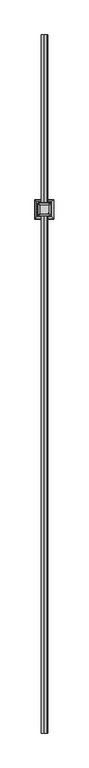
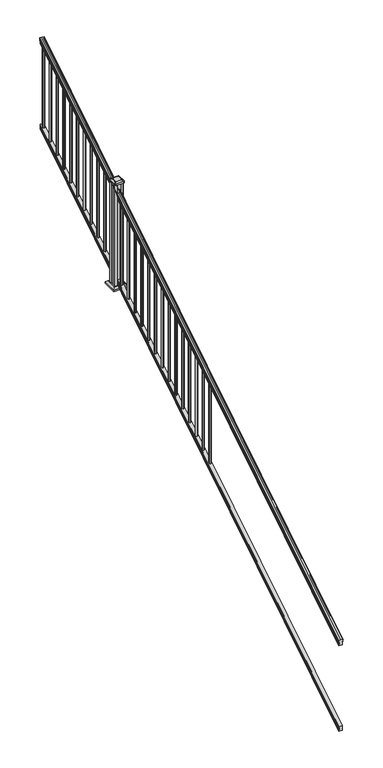
"""IFC4 building model written with IfcOpenShell, lengths in millimetres: railing geometry."""

from ifc_helpers import new_model, si_unit, point, frame, frame_2d, origin, place, context, project, spatial, polyline, circle_curve, ellipse_curve, trimmed, segment, composite_curve, outline, extrude, faceted_brep, source, transform, mapped, element, save
from ifc_brep_helpers import plane_surface, cylinder_surface, revolved_surface, extruded_surface, advanced_brep


def railing_ad582928(model_context):
    return source(origin(), model_context, "Body", "SolidModel", [
        advanced_brep(
        [(6995.9614371, -16813.8194681, 1133.2070492), (6998.5352659, -16813.8194681, 1133.2070492), (6998.5352659, -16813.8194681, 1120.6394336), (6997.5192659, -16813.8194681, 1119.441318), (6997.5192659, -16813.8194681, 1104.9), (7029.2692659, -16813.8194681, 1104.9), (7029.2692659, -16813.8194681, 1119.6274214), (7028.2532659, -16813.8194681, 1120.825537), (7028.2532659, -16813.8194681, 1133.2070492), (7030.8270946, -16813.8194681, 1133.2070492), (7030.8270946, -16813.8194681, 1135.4335658), (7031.9572809, -16813.8194681, 1137.2758543), (7031.9572809, -16813.8194681, 1145.7876358), (7031.3080245, -16813.8194681, 1148.6572588), (7033.8080245, -16813.8194681, 1153.7635509), (7035.217367, -16813.8194681, 1155.7442021), (7035.619266, -16813.8194681, 1157.0469579), (7035.6192659, -16813.8194681, 1158.6274846), (7034.0658186, -16813.8194681, 1160.4593836), (7013.3942659, -16813.8194681, 1160.4593836), (6992.7227131, -16813.8194681, 1160.4593836), (6991.1692659, -16813.8194681, 1158.6274846), (6991.1692659, -16813.8194681, 1157.0469579), (6991.5711648, -16813.8194681, 1155.7442021), (6992.9805072, -16813.8194681, 1153.7635509), (6995.4805072, -16813.8194681, 1148.6572588), (6994.8312508, -16813.8194681, 1145.7876358), (6994.8312508, -16813.8194681, 1137.2758543), (6995.9614371, -16813.8194681, 1135.4335658), (6995.9614371, -11937.0194681, 4181.2070492), (6995.9614371, -11937.0194681, 4183.4335658), (6994.8312508, -11937.0194681, 4185.2758543), (6994.8312508, -11937.0194681, 4193.7876358), (6995.4805072, -11937.0194681, 4196.6572588), (6992.9805072, -11937.0194681, 4201.7635509), (6991.5711648, -11937.0194681, 4203.7442021), (6991.1692658, -11937.0194681, 4205.0469579), (6991.1692659, -11937.0194681, 4206.6274846), (6992.7227131, -11937.0194681, 4208.4593836), (7013.3942659, -11937.0194681, 4208.4593836), (7034.0658186, -11937.0194681, 4208.4593836), (7035.6192659, -11937.0194681, 4206.6274846), (7035.6192659, -11937.0194681, 4205.0469579), (7035.217367, -11937.0194681, 4203.7442021), (7033.8080245, -11937.0194681, 4201.7635509), (7031.3080245, -11937.0194681, 4196.6572588), (7031.9572809, -11937.0194681, 4193.7876358), (7031.9572809, -11937.0194681, 4185.2758543), (7030.8270946, -11937.0194681, 4183.4335658), (7030.8270946, -11937.0194681, 4181.2070492), (7028.2532659, -11937.0194681, 4181.2070492), (7028.2532659, -11937.0194681, 4168.825537), (7029.2692659, -11937.0194681, 4167.6274214), (7029.2692659, -11937.0194681, 4152.9), (6997.5192659, -11937.0194681, 4152.9), (6997.5192659, -11937.0194681, 4167.441318), (6998.5352659, -11937.0194681, 4168.6394336), (6998.5352659, -11937.0194681, 4181.2070492)],
        [
            (0, 1, ellipse_curve(frame((6997.2483515, -16813.8194681, 1133.2070492), z_axis=(0.0, -1.0, 0.0), x_axis=(0.0, 0.0, -1.0)), 1.5175907, 1.2869144)),
            (1, 2),
            (2, 3),
            (3, 4),
            (4, 5),
            (5, 6),
            (6, 7),
            (7, 8),
            (8, 9, ellipse_curve(frame((7029.5401802, -16813.8194681, 1133.2070492), z_axis=(0.0, -1.0, 0.0), x_axis=(0.0, 0.0, -1.0)), 1.5175907, 1.2869144)),
            (9, 10),
            (10, 11, ellipse_curve(frame((7024.5123413, -16813.8194681, 1142.2239405), z_axis=(0.0, -1.0, 0.0), x_axis=(0.0, 0.0, -1.0)), 10.0777926, 8.545951)),
            (11, 12, ellipse_curve(frame((7024.9494043, -16813.8194681, 1141.5317451), z_axis=(0.0, -1.0, 0.0), x_axis=(0.0, 0.0, -1.0)), 9.2955186, 7.882584)),
            (12, 13, ellipse_curve(frame((7035.4627284, -16813.8194681, 1148.4275077), z_axis=(0.0, 1.0, 0.0), x_axis=(0.0, 0.0, 1.0)), 4.9048088, 4.1592695)),
            (13, 14, ellipse_curve(frame((7036.750035, -16813.8194681, 1148.3563208), z_axis=(0.0, 1.0, 0.0), x_axis=(0.0, 0.0, 1.0)), 6.4245301, 5.4479907)),
            (14, 15, ellipse_curve(frame((7035.5168765, -16813.8194681, 1153.7602333), z_axis=(0.0, 1.0, 0.0), x_axis=(0.0, 0.0, 1.0)), 2.0151625, 1.7088543)),
            (15, 16, ellipse_curve(frame((7033.8999764, -16813.8194681, 1157.0469579), z_axis=(0.0, -1.0, 0.0), x_axis=(0.0, 0.0, -1.0)), 2.0274681, 1.7192895)),
            (16, 17),
            (17, 18, ellipse_curve(frame((7034.0658186, -16813.8194681, 1158.6274846), z_axis=(0.0, -1.0, 0.0), x_axis=(0.0, 0.0, -1.0)), 1.831899, 1.5534472)),
            (18, 19),
            (19, 20),
            (20, 21, ellipse_curve(frame((6992.7227131, -16813.8194681, 1158.6274846), z_axis=(0.0, -1.0, 0.0), x_axis=(0.0, 0.0, -1.0)), 1.831899, 1.5534472)),
            (21, 22),
            (22, 23, ellipse_curve(frame((6992.8885553, -16813.8194681, 1157.0469579), z_axis=(0.0, -1.0, 0.0), x_axis=(0.0, 0.0, -1.0)), 2.0274681, 1.7192895)),
            (23, 24, ellipse_curve(frame((6991.2716552, -16813.8194681, 1153.7602333), z_axis=(0.0, 1.0, 0.0), x_axis=(0.0, 0.0, 1.0)), 2.0151625, 1.7088543)),
            (24, 25, ellipse_curve(frame((6990.0384968, -16813.8194681, 1148.3563208), z_axis=(0.0, 1.0, 0.0), x_axis=(0.0, 0.0, 1.0)), 6.4245301, 5.4479907)),
            (25, 26, ellipse_curve(frame((6991.3258033, -16813.8194681, 1148.4275077), z_axis=(0.0, 1.0, 0.0), x_axis=(0.0, 0.0, 1.0)), 4.9048088, 4.1592695)),
            (26, 27, ellipse_curve(frame((7001.8391275, -16813.8194681, 1141.5317451), z_axis=(0.0, -1.0, 0.0), x_axis=(0.0, 0.0, -1.0)), 9.2955186, 7.882584)),
            (27, 28, ellipse_curve(frame((7002.2761904, -16813.8194681, 1142.2239405), z_axis=(0.0, -1.0, 0.0), x_axis=(0.0, 0.0, -1.0)), 10.0777926, 8.545951)),
            (28, 0),
            (29, 30),
            (30, 31, ellipse_curve(frame((7002.2761904, -11937.0194681, 4190.2239405), z_axis=(0.0, 1.0, 0.0), x_axis=(0.0, 0.0, -1.0)), 10.0777926, 8.545951)),
            (31, 32, ellipse_curve(frame((7001.8391275, -11937.0194681, 4189.5317451), z_axis=(0.0, 1.0, 0.0), x_axis=(0.0, 0.0, -1.0)), 9.2955186, 7.882584)),
            (32, 33, ellipse_curve(frame((6991.3258033, -11937.0194681, 4196.4275077), z_axis=(0.0, -1.0, 0.0), x_axis=(0.0, 0.0, 1.0)), 4.9048088, 4.1592695)),
            (33, 34, ellipse_curve(frame((6990.0384968, -11937.0194681, 4196.3563208), z_axis=(0.0, -1.0, 0.0), x_axis=(0.0, 0.0, 1.0)), 6.4245301, 5.4479907)),
            (34, 35, ellipse_curve(frame((6991.2716552, -11937.0194681, 4201.7602333), z_axis=(0.0, -1.0, 0.0), x_axis=(0.0, 0.0, 1.0)), 2.0151625, 1.7088543)),
            (35, 36, ellipse_curve(frame((6992.8885553, -11937.0194681, 4205.0469579), z_axis=(0.0, 1.0, 0.0), x_axis=(0.0, 0.0, -1.0)), 2.0274681, 1.7192895)),
            (36, 37),
            (37, 38, ellipse_curve(frame((6992.7227131, -11937.0194681, 4206.6274846), z_axis=(0.0, 1.0, 0.0), x_axis=(0.0, 0.0, -1.0)), 1.831899, 1.5534472)),
            (38, 39),
            (39, 40),
            (40, 41, ellipse_curve(frame((7034.0658186, -11937.0194681, 4206.6274846), z_axis=(0.0, 1.0, 0.0), x_axis=(0.0, 0.0, -1.0)), 1.831899, 1.5534472)),
            (41, 42),
            (42, 43, ellipse_curve(frame((7033.8999764, -11937.0194681, 4205.0469579), z_axis=(0.0, 1.0, 0.0), x_axis=(0.0, 0.0, -1.0)), 2.0274681, 1.7192895)),
            (43, 44, ellipse_curve(frame((7035.5168765, -11937.0194681, 4201.7602333), z_axis=(0.0, -1.0, 0.0), x_axis=(0.0, 0.0, 1.0)), 2.0151625, 1.7088543)),
            (44, 45, ellipse_curve(frame((7036.750035, -11937.0194681, 4196.3563208), z_axis=(0.0, -1.0, 0.0), x_axis=(0.0, 0.0, 1.0)), 6.4245301, 5.4479907)),
            (45, 46, ellipse_curve(frame((7035.4627284, -11937.0194681, 4196.4275077), z_axis=(0.0, -1.0, 0.0), x_axis=(0.0, 0.0, 1.0)), 4.9048088, 4.1592695)),
            (46, 47, ellipse_curve(frame((7024.9494043, -11937.0194681, 4189.5317451), z_axis=(0.0, 1.0, 0.0), x_axis=(0.0, 0.0, -1.0)), 9.2955186, 7.882584)),
            (47, 48, ellipse_curve(frame((7024.5123413, -11937.0194681, 4190.2239405), z_axis=(0.0, 1.0, 0.0), x_axis=(0.0, 0.0, -1.0)), 10.0777926, 8.545951)),
            (48, 49),
            (49, 50, ellipse_curve(frame((7029.5401802, -11937.0194681, 4181.2070492), z_axis=(0.0, 1.0, 0.0), x_axis=(0.0, 0.0, -1.0)), 1.5175907, 1.2869144)),
            (50, 51),
            (51, 52),
            (52, 53),
            (53, 54),
            (54, 55),
            (55, 56),
            (56, 57),
            (57, 29, ellipse_curve(frame((6997.2483515, -11937.0194681, 4181.2070492), z_axis=(0.0, 1.0, 0.0), x_axis=(0.0, 0.0, -1.0)), 1.5175907, 1.2869144)),
            (0, 29),
            (57, 1),
            (56, 2),
            (55, 3),
            (54, 4),
            (53, 5),
            (52, 6),
            (51, 7),
            (50, 8),
            (49, 9),
            (48, 10),
            (47, 11),
            (46, 12),
            (45, 13),
            (44, 14),
            (43, 15),
            (42, 16),
            (41, 17),
            (40, 18),
            (39, 19),
            (38, 20),
            (37, 21),
            (36, 22),
            (35, 23),
            (34, 24),
            (33, 25),
            (32, 26),
            (31, 27),
            (30, 28),
        ],
        [
            plane_surface(frame((7013.3942659, -16813.8194681, 1104.9), z_axis=(0.0, -1.0, 0.0), x_axis=(0.0, 0.0, 1.0))),
            plane_surface(frame((7013.3942659, -11937.0194681, 4152.9), z_axis=(0.0, 1.0, 0.0), x_axis=(0.0, 0.0, 1.0))),
            cylinder_surface(frame((6997.2483515, -16826.5417374, 1125.2556309), z_axis=(0.0, -0.8479983040051251, -0.5299989400031206), x_axis=(1.0, 0.0, 0.0)), 1.2869144),
            plane_surface(frame((6998.5352659, -16813.8194681, 1133.2070492), z_axis=(-1.0000000000000002, 0.0, 0.0), x_axis=(0.0, 0.8479983040051251, 0.5299989400031208))),
            plane_surface(frame((6998.5352659, -16813.8194681, 1120.6394336), z_axis=(-0.7071067811865402, -0.37476584449789196, 0.5996253511967222), x_axis=(0.0, 0.8479983040051251, 0.5299989400031206))),
            plane_surface(frame((6997.5192659, -16813.8194681, 1119.441318), z_axis=(-1.0000000000000002, 0.0, 0.0), x_axis=(0.0, 0.8479983040051251, 0.5299989400031208))),
            plane_surface(frame((6997.5192659, -16813.8194681, 1104.9), z_axis=(0.0, 0.5299989400031208, -0.8479983040051251), x_axis=(0.0, 0.8479983040051251, 0.5299989400031208))),
            plane_surface(frame((7029.2692659, -16813.8194681, 1104.9), z_axis=(1.0000000000000002, 0.0, 0.0), x_axis=(0.0, 0.8479983040051251, 0.5299989400031208))),
            plane_surface(frame((7029.2692659, -16813.8194681, 1119.6274214), z_axis=(0.7071067811865426, -0.3747658444978923, 0.5996253511967192), x_axis=(0.0, 0.8479983040051251, 0.5299989400031208))),
            plane_surface(frame((7028.2532659, -16813.8194681, 1120.825537), z_axis=(1.0, 0.0, 0.0), x_axis=(0.0, 0.8479983040051251, 0.5299989400031206))),
            cylinder_surface(frame((7029.5401802, -16826.5417374, 1125.2556309), z_axis=(0.0, -0.8479983040051251, -0.5299989400031206), x_axis=(-1.0, 0.0, 0.0)), 1.2869144),
            plane_surface(frame((7030.8270946, -16813.8194681, 1133.2070492), z_axis=(1.0000000000000002, 0.0, 0.0), x_axis=(0.0, 0.8479983040051251, 0.5299989400031208))),
            cylinder_surface(frame((7024.5123413, -16830.5942728, 1131.7396876), z_axis=(0.0, -0.8479983040051251, -0.5299989400031206), x_axis=(-1.0, 0.0, 0.0)), 8.545951),
            cylinder_surface(frame((7024.9494043, -16830.2831737, 1131.241929), z_axis=(0.0, -0.8479983040051251, -0.5299989400031206), x_axis=(-1.0, 0.0, 0.0)), 7.882584),
            revolved_surface(polyline([(7031.3034589, -11934.815059650347, 4197.805262980555), (7031.3034589, -16816.023876549436, 1147.0497524191003)]), (7035.4627284, -16833.3823929, 1136.2006797), (0.0, 0.8479983040051251, 0.5299989400031206)),
            revolved_surface(polyline([(7031.3020443, -11934.132038835742, 4198.160964077186), (7031.3020443, -16816.706897352808, 1146.5516775044946)]), (7036.750035, -16833.3503988, 1136.1494891), (0.0, 0.8479983040051251, 0.5299989400031206)),
            revolved_surface(polyline([(7033.8080222, -11936.113777099785, 4202.326290199658), (7033.8080222, -16814.72515912247, 1153.1941764359544)]), (7035.5168765, -16835.7791235, 1140.0354487), (0.0, 0.8479983040051251, 0.5299989400031206)),
            cylinder_surface(frame((7033.8999764, -16837.2563031, 1142.398936), z_axis=(0.0, -0.8479983040051251, -0.5299989400031206), x_axis=(-1.0, 0.0, 0.0)), 1.7192895),
            plane_surface(frame((7035.6192659, -16813.8194681, 1157.0469579), z_axis=(1.0, 0.0, 0.0), x_axis=(0.0, 0.8479983040051251, 0.5299989400031206))),
            cylinder_surface(frame((7034.0658186, -16837.9666522, 1143.5354945), z_axis=(0.0, -0.8479983040051251, -0.5299989400031206), x_axis=(-1.0, 0.0, 0.0)), 1.5534472),
            plane_surface(frame((7034.0658186, -16813.8194681, 1160.4593836), z_axis=(0.0, -0.5299989400031208, 0.8479983040051251), x_axis=(0.0, 0.8479983040051251, 0.5299989400031208))),
            plane_surface(frame((7013.3942659, -16813.8194681, 1160.4593836), z_axis=(0.0, -0.5299989400031208, 0.8479983040051251), x_axis=(0.0, 0.8479983040051251, 0.5299989400031208))),
            cylinder_surface(frame((6992.7227131, -16837.9666522, 1143.5354945), z_axis=(0.0, -0.8479983040051251, -0.5299989400031206), x_axis=(1.0, 0.0, 0.0)), 1.5534472),
            plane_surface(frame((6991.1692659, -16813.8194681, 1158.6274846), z_axis=(-1.0000000000000002, 0.0, 0.0), x_axis=(0.0, 0.8479983040051251, 0.5299989400031208))),
            cylinder_surface(frame((6992.8885553, -16837.2563031, 1142.398936), z_axis=(0.0, -0.8479983040051251, -0.5299989400031206), x_axis=(1.0, 0.0, 0.0)), 1.7192895),
            revolved_surface(polyline([(6992.9805095, -11936.113777099785, 4202.326290199658), (6992.9805095, -16814.72515912247, 1153.1941764359544)]), (6991.2716552, -16835.7791235, 1140.0354487), (0.0, 0.8479983040051251, 0.5299989400031206)),
            revolved_surface(polyline([(6995.4864875, -11934.132038835742, 4198.160964077186), (6995.4864875, -16816.706897352808, 1146.5516775044946)]), (6990.0384968, -16833.3503988, 1136.1494891), (0.0, 0.8479983040051251, 0.5299989400031206)),
            revolved_surface(polyline([(6995.4850728, -11934.815059650347, 4197.805262980555), (6995.4850728, -16816.023876549436, 1147.0497524191003)]), (6991.3258033, -16833.3823929, 1136.2006797), (0.0, 0.8479983040051251, 0.5299989400031206)),
            cylinder_surface(frame((7001.8391275, -16830.2831737, 1131.241929), z_axis=(0.0, -0.8479983040051251, -0.5299989400031206), x_axis=(1.0, 0.0, 0.0)), 7.882584),
            cylinder_surface(frame((7002.2761904, -16830.5942728, 1131.7396876), z_axis=(0.0, -0.8479983040051251, -0.5299989400031206), x_axis=(1.0, 0.0, 0.0)), 8.545951),
            plane_surface(frame((6995.9614371, -16813.8194681, 1135.4335658), z_axis=(-1.0, 0.0, 0.0), x_axis=(0.0, 0.8479983040051251, 0.5299989400031206))),
        ],
        [
            (0, [[1, 2, 3, 4, 5, 6, 7, 8, 9, 10, 11, 12, 13, 14, 15, 16, 17, 18, 19, 20, 21, 22, 23, 24, 25, 26, 27, 28, 29]]),
            (1, [[30, 31, 32, 33, 34, 35, 36, 37, 38, 39, 40, 41, 42, 43, 44, 45, 46, 47, 48, 49, 50, 51, 52, 53, 54, 55, 56, 57, 58]]),
            (2, [[-1, 59, -58, 60]]),
            (3, [[-2, -60, -57, 61]]),
            (4, [[-3, -61, -56, 62]]),
            (5, [[-4, -62, -55, 63]]),
            (6, [[-5, -63, -54, 64]]),
            (7, [[-6, -64, -53, 65]]),
            (8, [[-7, -65, -52, 66]]),
            (9, [[-8, -66, -51, 67]]),
            (10, [[-9, -67, -50, 68]]),
            (11, [[-10, -68, -49, 69]]),
            (12, [[-11, -69, -48, 70]]),
            (13, [[-12, -70, -47, 71]]),
            (14, [[-13, -71, -46, 72]]),
            (15, [[-14, -72, -45, 73]]),
            (16, [[-15, -73, -44, 74]]),
            (17, [[-16, -74, -43, 75]]),
            (18, [[-17, -75, -42, 76]]),
            (19, [[-18, -76, -41, 77]]),
            (20, [[-19, -77, -40, 78]]),
            (21, [[-20, -78, -39, 79]]),
            (22, [[-21, -79, -38, 80]]),
            (23, [[-22, -80, -37, 81]]),
            (24, [[-23, -81, -36, 82]]),
            (25, [[-24, -82, -35, 83]]),
            (26, [[-25, -83, -34, 84]]),
            (27, [[-26, -84, -33, 85]]),
            (28, [[-27, -85, -32, 86]]),
            (29, [[-28, -86, -31, 87]]),
            (30, [[-29, -87, -30, -59]]),
        ],
    ),
        faceted_brep([(6997.481779, -16813.8194681, 268.8045079), (6997.481779, -16813.8194681, 254.0), (7029.231779, -16813.8194681, 254.0), (7029.231779, -16813.8194681, 268.7848772), (7028.215779, -16813.8194681, 270.3748303), (7028.215779, -16813.8194681, 282.5348741), (7029.231779, -16813.8194681, 284.1248272), (7029.231779, -16813.8194681, 298.9244744), (6997.481779, -16813.8194681, 298.9244744), (6997.481779, -16813.8194681, 284.1444579), (6998.497779, -16813.8194681, 282.5545048), (6998.497779, -16813.8194681, 270.338026), (6997.481779, -11937.0194681, 3316.8045079), (6998.497779, -11937.0194681, 3318.338026), (6998.497779, -11937.0194681, 3330.5545048), (6997.481779, -11937.0194681, 3332.1444579), (6997.481779, -11937.0194681, 3346.9244744), (7029.231779, -11937.0194681, 3346.9244744), (7029.231779, -11937.0194681, 3332.1248272), (7028.215779, -11937.0194681, 3330.5348741), (7028.215779, -11937.0194681, 3318.3748303), (7029.231779, -11937.0194681, 3316.7848772), (7029.231779, -11937.0194681, 3302.0), (6997.481779, -11937.0194681, 3302.0)], [[[0, 1, 2, 3, 4, 5, 6, 7, 8, 9, 10, 11]], [[12, 13, 14, 15, 16, 17, 18, 19, 20, 21, 22, 23]], [[1, 0, 12, 23]], [[2, 1, 23, 22]], [[3, 2, 22, 21]], [[4, 3, 21, 20]], [[5, 4, 20, 19]], [[6, 5, 19, 18]], [[7, 6, 18, 17]], [[8, 7, 17, 16]], [[9, 8, 16, 15]], [[10, 9, 15, 14]], [[11, 10, 14, 13]], [[0, 11, 13, 12]]]),
        extrude(outline(composite_curve([segment(trimmed(circle_curve(frame_2d((7013.3942659, -11964.0069681)), 9.525), [point((7003.8692659, -11964.0069681))], [point((7013.3942659, -11954.4819681))], False, "CARTESIAN"), True, "CONTINUOUS"), segment(trimmed(circle_curve(frame_2d((7013.3942659, -11964.0069681)), 9.525), [point((7013.3942659, -11954.4819681))], [point((7022.9192659, -11964.0069681))], False, "CARTESIAN"), True, "CONTINUOUS"), segment(trimmed(circle_curve(frame_2d((7013.3942659, -11964.0069681)), 9.525), [point((7022.9192659, -11964.0069681))], [point((7013.3942659, -11973.5319681))], False, "CARTESIAN"), True, "CONTINUOUS"), segment(trimmed(circle_curve(frame_2d((7013.3942659, -11964.0069681)), 9.525), [point((7013.3942659, -11973.5319681))], [point((7003.8692659, -11964.0069681))], False, "CARTESIAN"), True, "CONTINUOUS")], self_intersect=False)), frame((0.0, 0.0, 3323.2286906), z_axis=(0.0, 0.0, 1.0), x_axis=(1.0, 0.0, 0.0)), (0.0, 0.0, 1.0), 812.8041219),
        extrude(outline(composite_curve([segment(trimmed(circle_curve(frame_2d((7013.3942659, -12075.1319681)), 9.525), [point((7003.8692659, -12075.1319681))], [point((7013.3942659, -12065.6069681))], False, "CARTESIAN"), True, "CONTINUOUS"), segment(trimmed(circle_curve(frame_2d((7013.3942659, -12075.1319681)), 9.525), [point((7013.3942659, -12065.6069681))], [point((7022.9192659, -12075.1319681))], False, "CARTESIAN"), True, "CONTINUOUS"), segment(trimmed(circle_curve(frame_2d((7013.3942659, -12075.1319681)), 9.525), [point((7022.9192659, -12075.1319681))], [point((7013.3942659, -12084.6569681))], False, "CARTESIAN"), True, "CONTINUOUS"), segment(trimmed(circle_curve(frame_2d((7013.3942659, -12075.1319681)), 9.525), [point((7013.3942659, -12084.6569681))], [point((7003.8692659, -12075.1319681))], False, "CARTESIAN"), True, "CONTINUOUS")], self_intersect=False)), frame((0.0, 0.0, 3253.7755656), z_axis=(0.0, 0.0, 1.0), x_axis=(1.0, 0.0, 0.0)), (0.0, 0.0, 1.0), 812.8041219),
        extrude(outline(composite_curve([segment(trimmed(circle_curve(frame_2d((7013.3942659, -12186.2569681)), 9.525), [point((7003.8692659, -12186.2569681))], [point((7013.3942659, -12176.7319681))], False, "CARTESIAN"), True, "CONTINUOUS"), segment(trimmed(circle_curve(frame_2d((7013.3942659, -12186.2569681)), 9.525), [point((7013.3942659, -12176.7319681))], [point((7022.9192659, -12186.2569681))], False, "CARTESIAN"), True, "CONTINUOUS"), segment(trimmed(circle_curve(frame_2d((7013.3942659, -12186.2569681)), 9.525), [point((7022.9192659, -12186.2569681))], [point((7013.3942659, -12195.7819681))], False, "CARTESIAN"), True, "CONTINUOUS"), segment(trimmed(circle_curve(frame_2d((7013.3942659, -12186.2569681)), 9.525), [point((7013.3942659, -12195.7819681))], [point((7003.8692659, -12186.2569681))], False, "CARTESIAN"), True, "CONTINUOUS")], self_intersect=False)), frame((0.0, 0.0, 3184.3224406), z_axis=(0.0, 0.0, 1.0), x_axis=(1.0, 0.0, 0.0)), (0.0, 0.0, 1.0), 812.8041219),
        extrude(outline(composite_curve([segment(trimmed(circle_curve(frame_2d((7013.3942659, -12297.3819681)), 9.525), [point((7003.8692659, -12297.3819681))], [point((7013.3942659, -12287.8569681))], False, "CARTESIAN"), True, "CONTINUOUS"), segment(trimmed(circle_curve(frame_2d((7013.3942659, -12297.3819681)), 9.525), [point((7013.3942659, -12287.8569681))], [point((7022.9192659, -12297.3819681))], False, "CARTESIAN"), True, "CONTINUOUS"), segment(trimmed(circle_curve(frame_2d((7013.3942659, -12297.3819681)), 9.525), [point((7022.9192659, -12297.3819681))], [point((7013.3942659, -12306.9069681))], False, "CARTESIAN"), True, "CONTINUOUS"), segment(trimmed(circle_curve(frame_2d((7013.3942659, -12297.3819681)), 9.525), [point((7013.3942659, -12306.9069681))], [point((7003.8692659, -12297.3819681))], False, "CARTESIAN"), True, "CONTINUOUS")], self_intersect=False)), frame((0.0, 0.0, 3114.8693156), z_axis=(0.0, 0.0, 1.0), x_axis=(1.0, 0.0, 0.0)), (0.0, 0.0, 1.0), 812.8041219),
        extrude(outline(composite_curve([segment(trimmed(circle_curve(frame_2d((7013.3942659, -12408.5069681)), 9.525), [point((7003.8692659, -12408.5069681))], [point((7013.3942659, -12398.9819681))], False, "CARTESIAN"), True, "CONTINUOUS"), segment(trimmed(circle_curve(frame_2d((7013.3942659, -12408.5069681)), 9.525), [point((7013.3942659, -12398.9819681))], [point((7022.9192659, -12408.5069681))], False, "CARTESIAN"), True, "CONTINUOUS"), segment(trimmed(circle_curve(frame_2d((7013.3942659, -12408.5069681)), 9.525), [point((7022.9192659, -12408.5069681))], [point((7013.3942659, -12418.0319681))], False, "CARTESIAN"), True, "CONTINUOUS"), segment(trimmed(circle_curve(frame_2d((7013.3942659, -12408.5069681)), 9.525), [point((7013.3942659, -12418.0319681))], [point((7003.8692659, -12408.5069681))], False, "CARTESIAN"), True, "CONTINUOUS")], self_intersect=False)), frame((0.0, 0.0, 3045.4161906), z_axis=(0.0, 0.0, 1.0), x_axis=(1.0, 0.0, 0.0)), (0.0, 0.0, 1.0), 812.8041219),
        extrude(outline(composite_curve([segment(trimmed(circle_curve(frame_2d((7013.3942659, -12519.6319681)), 9.525), [point((7003.8692659, -12519.6319681))], [point((7013.3942659, -12510.1069681))], False, "CARTESIAN"), True, "CONTINUOUS"), segment(trimmed(circle_curve(frame_2d((7013.3942659, -12519.6319681)), 9.525), [point((7013.3942659, -12510.1069681))], [point((7022.9192659, -12519.6319681))], False, "CARTESIAN"), True, "CONTINUOUS"), segment(trimmed(circle_curve(frame_2d((7013.3942659, -12519.6319681)), 9.525), [point((7022.9192659, -12519.6319681))], [point((7013.3942659, -12529.1569681))], False, "CARTESIAN"), True, "CONTINUOUS"), segment(trimmed(circle_curve(frame_2d((7013.3942659, -12519.6319681)), 9.525), [point((7013.3942659, -12529.1569681))], [point((7003.8692659, -12519.6319681))], False, "CARTESIAN"), True, "CONTINUOUS")], self_intersect=False)), frame((0.0, 0.0, 2975.9630656), z_axis=(0.0, 0.0, 1.0), x_axis=(1.0, 0.0, 0.0)), (0.0, 0.0, 1.0), 812.8041219),
        extrude(outline(composite_curve([segment(trimmed(circle_curve(frame_2d((7013.3942659, -12630.7569681)), 9.525), [point((7003.8692659, -12630.7569681))], [point((7013.3942659, -12621.2319681))], False, "CARTESIAN"), True, "CONTINUOUS"), segment(trimmed(circle_curve(frame_2d((7013.3942659, -12630.7569681)), 9.525), [point((7013.3942659, -12621.2319681))], [point((7022.9192659, -12630.7569681))], False, "CARTESIAN"), True, "CONTINUOUS"), segment(trimmed(circle_curve(frame_2d((7013.3942659, -12630.7569681)), 9.525), [point((7022.9192659, -12630.7569681))], [point((7013.3942659, -12640.2819681))], False, "CARTESIAN"), True, "CONTINUOUS"), segment(trimmed(circle_curve(frame_2d((7013.3942659, -12630.7569681)), 9.525), [point((7013.3942659, -12640.2819681))], [point((7003.8692659, -12630.7569681))], False, "CARTESIAN"), True, "CONTINUOUS")], self_intersect=False)), frame((0.0, 0.0, 2906.5099406), z_axis=(0.0, 0.0, 1.0), x_axis=(1.0, 0.0, 0.0)), (0.0, 0.0, 1.0), 812.8041219),
        extrude(outline(composite_curve([segment(trimmed(circle_curve(frame_2d((7013.3942659, -12741.8819681)), 9.525), [point((7003.8692659, -12741.8819681))], [point((7013.3942659, -12732.3569681))], False, "CARTESIAN"), True, "CONTINUOUS"), segment(trimmed(circle_curve(frame_2d((7013.3942659, -12741.8819681)), 9.525), [point((7013.3942659, -12732.3569681))], [point((7022.9192659, -12741.8819681))], False, "CARTESIAN"), True, "CONTINUOUS"), segment(trimmed(circle_curve(frame_2d((7013.3942659, -12741.8819681)), 9.525), [point((7022.9192659, -12741.8819681))], [point((7013.3942659, -12751.4069681))], False, "CARTESIAN"), True, "CONTINUOUS"), segment(trimmed(circle_curve(frame_2d((7013.3942659, -12741.8819681)), 9.525), [point((7013.3942659, -12751.4069681))], [point((7003.8692659, -12741.8819681))], False, "CARTESIAN"), True, "CONTINUOUS")], self_intersect=False)), frame((0.0, 0.0, 2837.0568156), z_axis=(0.0, 0.0, 1.0), x_axis=(1.0, 0.0, 0.0)), (0.0, 0.0, 1.0), 812.8041219),
        extrude(outline(composite_curve([segment(trimmed(circle_curve(frame_2d((7013.3942659, -12853.0069681)), 9.525), [point((7003.8692659, -12853.0069681))], [point((7013.3942659, -12843.4819681))], False, "CARTESIAN"), True, "CONTINUOUS"), segment(trimmed(circle_curve(frame_2d((7013.3942659, -12853.0069681)), 9.525), [point((7013.3942659, -12843.4819681))], [point((7022.9192659, -12853.0069681))], False, "CARTESIAN"), True, "CONTINUOUS"), segment(trimmed(circle_curve(frame_2d((7013.3942659, -12853.0069681)), 9.525), [point((7022.9192659, -12853.0069681))], [point((7013.3942659, -12862.5319681))], False, "CARTESIAN"), True, "CONTINUOUS"), segment(trimmed(circle_curve(frame_2d((7013.3942659, -12853.0069681)), 9.525), [point((7013.3942659, -12862.5319681))], [point((7003.8692659, -12853.0069681))], False, "CARTESIAN"), True, "CONTINUOUS")], self_intersect=False)), frame((0.0, 0.0, 2767.6036906), z_axis=(0.0, 0.0, 1.0), x_axis=(1.0, 0.0, 0.0)), (0.0, 0.0, 1.0), 812.8041219),
        extrude(outline(composite_curve([segment(trimmed(circle_curve(frame_2d((7013.3942659, -12964.1319681)), 9.525), [point((7003.8692659, -12964.1319681))], [point((7013.3942659, -12954.6069681))], False, "CARTESIAN"), True, "CONTINUOUS"), segment(trimmed(circle_curve(frame_2d((7013.3942659, -12964.1319681)), 9.525), [point((7013.3942659, -12954.6069681))], [point((7022.9192659, -12964.1319681))], False, "CARTESIAN"), True, "CONTINUOUS"), segment(trimmed(circle_curve(frame_2d((7013.3942659, -12964.1319681)), 9.525), [point((7022.9192659, -12964.1319681))], [point((7013.3942659, -12973.6569681))], False, "CARTESIAN"), True, "CONTINUOUS"), segment(trimmed(circle_curve(frame_2d((7013.3942659, -12964.1319681)), 9.525), [point((7013.3942659, -12973.6569681))], [point((7003.8692659, -12964.1319681))], False, "CARTESIAN"), True, "CONTINUOUS")], self_intersect=False)), frame((0.0, 0.0, 2698.1505656), z_axis=(0.0, 0.0, 1.0), x_axis=(1.0, 0.0, 0.0)), (0.0, 0.0, 1.0), 812.8041219),
        extrude(outline(composite_curve([segment(trimmed(circle_curve(frame_2d((7013.3942659, -13075.2569681)), 9.525), [point((7003.8692659, -13075.2569681))], [point((7013.3942659, -13065.7319681))], False, "CARTESIAN"), True, "CONTINUOUS"), segment(trimmed(circle_curve(frame_2d((7013.3942659, -13075.2569681)), 9.525), [point((7013.3942659, -13065.7319681))], [point((7022.9192659, -13075.2569681))], False, "CARTESIAN"), True, "CONTINUOUS"), segment(trimmed(circle_curve(frame_2d((7013.3942659, -13075.2569681)), 9.525), [point((7022.9192659, -13075.2569681))], [point((7013.3942659, -13084.7819681))], False, "CARTESIAN"), True, "CONTINUOUS"), segment(trimmed(circle_curve(frame_2d((7013.3942659, -13075.2569681)), 9.525), [point((7013.3942659, -13084.7819681))], [point((7003.8692659, -13075.2569681))], False, "CARTESIAN"), True, "CONTINUOUS")], self_intersect=False)), frame((0.0, 0.0, 2628.6974406), z_axis=(0.0, 0.0, 1.0), x_axis=(1.0, 0.0, 0.0)), (0.0, 0.0, 1.0), 812.8041219),
        faceted_brep([(6960.8083284, -13208.8054056, 2505.075), (7065.9802034, -13208.8054056, 2505.075), (7065.9802034, -13103.6335306, 2505.075), (6960.8083284, -13103.6335306, 2505.075), (6946.7688753, -13222.8448587, 2491.74), (6946.7688753, -13089.5940775, 2491.74), (7080.0196565, -13089.5940775, 2491.74), (7080.0196565, -13222.8448587, 2491.74)], [[[0, 1, 2, 3]], [[4, 5, 6, 7]], [[4, 7, 1, 0]], [[7, 6, 2, 1]], [[6, 5, 3, 2]], [[5, 4, 0, 3]]]),
        extrude(outline(polyline([(6946.7688753, -13222.8448587), (6946.7688753, -13089.5940775), (7080.0196565, -13089.5940775), (7080.0196565, -13222.8448587), (6946.7688753, -13222.8448587)])), frame((0.0, 0.0, 2476.5), z_axis=(0.0, 0.0, 1.0), x_axis=(1.0, 0.0, 0.0)), (0.0, 0.0, 1.0), 15.24),
        advanced_brep(
        [(7039.1911409, -13185.1913431, 3536.439263), (7042.3661409, -13182.0163431, 3536.439263), (7042.3661409, -13130.4225931, 3536.439263), (7039.1911409, -13127.2475931, 3536.439263), (6987.5973909, -13127.2475931, 3536.439263), (6984.4223909, -13130.4225931, 3536.439263), (6984.4223909, -13182.0163431, 3536.439263), (6987.5973909, -13185.1913431, 3536.439263), (7055.4630159, -13201.4632181, 3525.136263), (6971.3255159, -13201.4632181, 3525.136263), (6968.1505159, -13198.2882181, 3525.136263), (6968.1505159, -13114.1507181, 3525.136263), (6971.3255159, -13110.9757181, 3525.136263), (7055.4630159, -13110.9757181, 3525.136263), (7058.6380159, -13114.1507181, 3525.136263), (7058.6380159, -13198.2882181, 3525.136263)],
        [
            (0, 1, circle_curve(frame((7039.1911409, -13182.0163431, 3536.439263), z_axis=(0.0, 0.0, 1.0), x_axis=(0.0, 1.0, 0.0)), 3.175)),
            (1, 2),
            (2, 3, circle_curve(frame((7039.1911409, -13130.4225931, 3536.439263), z_axis=(0.0, 0.0, 1.0), x_axis=(0.0, 1.0, 0.0)), 3.175)),
            (3, 4),
            (4, 5, circle_curve(frame((6987.5973909, -13130.4225931, 3536.439263), z_axis=(0.0, 0.0, 1.0), x_axis=(0.0, 1.0, 0.0)), 3.175)),
            (5, 6),
            (6, 7, circle_curve(frame((6987.5973909, -13182.0163431, 3536.439263), z_axis=(0.0, 0.0, 1.0), x_axis=(0.0, 1.0, 0.0)), 3.175)),
            (7, 0),
            (8, 9),
            (9, 10, circle_curve(frame((6971.3255159, -13198.2882181, 3525.136263), z_axis=(0.0, 0.0, -1.0), x_axis=(0.0, 1.0, 0.0)), 3.175)),
            (10, 11),
            (11, 12, circle_curve(frame((6971.3255159, -13114.1507181, 3525.136263), z_axis=(0.0, 0.0, -1.0), x_axis=(0.0, 1.0, 0.0)), 3.175)),
            (12, 13),
            (13, 14, circle_curve(frame((7055.4630159, -13114.1507181, 3525.136263), z_axis=(0.0, 0.0, -1.0), x_axis=(0.0, 1.0, 0.0)), 3.175)),
            (14, 15),
            (15, 8, circle_curve(frame((7055.4630159, -13198.2882181, 3525.136263), z_axis=(0.0, 0.0, -1.0), x_axis=(0.0, 1.0, 0.0)), 3.175)),
            (15, 1),
            (0, 8),
            (14, 2),
            (13, 3),
            (12, 4),
            (11, 5),
            (10, 6),
            (9, 7),
        ],
        [
            plane_surface(frame((7013.3942659, -13156.2194681, 3536.439263), z_axis=(0.0, 0.0, 1.0), x_axis=(1.0, 0.0, 0.0))),
            plane_surface(frame((7013.3942659, -13156.2194681, 3525.136263), z_axis=(0.0, 0.0, -1.0), x_axis=(1.0, 0.0, 0.0))),
            extruded_surface(trimmed(circle_curve(frame((7055.4630159, -13198.2882181, 3525.136263), z_axis=(0.0, 0.0, 1.0), x_axis=(0.0, 1.0, 0.0)), 3.175), [point((7055.4630159, -13201.4632181, 3525.136263))], [point((7058.6380159, -13198.2882181, 3525.136263))], True, "CARTESIAN"), (-16.271874999999454, 16.271875000000364, 11.303000000000338), 25.6379726388662),
            plane_surface(frame((7058.6380159, -13156.2194681, 3525.136263), z_axis=(0.5705009161540778, 0.0, 0.8212969649690408), x_axis=(0.0, 1.0, 0.0))),
            extruded_surface(trimmed(circle_curve(frame((7055.4630159, -13114.1507181, 3525.136263), z_axis=(0.0, 0.0, 1.0), x_axis=(0.0, 1.0, 0.0)), 3.175), [point((7058.6380159, -13114.1507181, 3525.136263))], [point((7055.4630159, -13110.9757181, 3525.136263))], True, "CARTESIAN"), (-16.271874999999454, -16.271875000000364, 11.303000000000338), 25.6379726388662),
            plane_surface(frame((7013.3942659, -13110.9757181, 3525.136263), z_axis=(0.0, 0.5705009161540291, 0.8212969649690747), x_axis=(-1.0, 0.0, 0.0))),
            extruded_surface(trimmed(circle_curve(frame((6971.3255159, -13114.1507181, 3525.136263), z_axis=(0.0, 0.0, 1.0), x_axis=(0.0, 1.0, 0.0)), 3.175), [point((6971.3255159, -13110.9757181, 3525.136263))], [point((6968.1505159, -13114.1507181, 3525.136263))], True, "CARTESIAN"), (16.271875000000364, -16.271875000000364, 11.303000000000338), 25.637972638866774),
            plane_surface(frame((6968.1505159, -13156.2194681, 3525.136263), z_axis=(-0.5705009161540142, 0.0, 0.8212969649690851), x_axis=(0.0, -1.0, 0.0))),
            extruded_surface(trimmed(circle_curve(frame((6971.3255159, -13198.2882181, 3525.136263), z_axis=(0.0, 0.0, 1.0), x_axis=(0.0, 1.0, 0.0)), 3.175), [point((6968.1505159, -13198.2882181, 3525.136263))], [point((6971.3255159, -13201.4632181, 3525.136263))], True, "CARTESIAN"), (16.271875000000364, 16.271875000000364, 11.303000000000338), 25.637972638866774),
            plane_surface(frame((7013.3942659, -13201.4632181, 3525.136263), z_axis=(0.0, -0.570500916154034, 0.8212969649690713), x_axis=(1.0, 0.0, 0.0))),
        ],
        [
            (0, [[1, 2, 3, 4, 5, 6, 7, 8]]),
            (1, [[9, 10, 11, 12, 13, 14, 15, 16]]),
            (2, [[-16, 17, -1, 18]]),
            (3, [[-15, 19, -2, -17]]),
            (4, [[-14, 20, -3, -19]]),
            (5, [[-13, 21, -4, -20]]),
            (6, [[-12, 22, -5, -21]]),
            (7, [[-11, 23, -6, -22]]),
            (8, [[-10, 24, -7, -23]]),
            (9, [[-9, -18, -8, -24]]),
        ],
    ),
        extrude(outline(composite_curve([segment(polyline([(7055.4630159, -13201.4632181), (6971.3255159, -13201.4632181)]), True, "CONTINUOUS"), segment(trimmed(circle_curve(frame_2d((6971.3255159, -13198.2882181)), 3.175), [point((6971.3255159, -13201.4632181))], [point((6968.1505159, -13198.2882181))], False, "CARTESIAN"), True, "CONTINUOUS"), segment(polyline([(6968.1505159, -13198.2882181), (6968.1505159, -13114.1507181)]), True, "CONTINUOUS"), segment(trimmed(circle_curve(frame_2d((6971.3255159, -13114.1507181)), 3.175), [point((6968.1505159, -13114.1507181))], [point((6971.3255159, -13110.9757181))], False, "CARTESIAN"), True, "CONTINUOUS"), segment(polyline([(6971.3255159, -13110.9757181), (7055.4630159, -13110.9757181)]), True, "CONTINUOUS"), segment(trimmed(circle_curve(frame_2d((7055.4630159, -13114.1507181)), 3.175), [point((7055.4630159, -13110.9757181))], [point((7058.6380159, -13114.1507181))], False, "CARTESIAN"), True, "CONTINUOUS"), segment(polyline([(7058.6380159, -13114.1507181), (7058.6380159, -13198.2882181)]), True, "CONTINUOUS"), segment(trimmed(circle_curve(frame_2d((7055.4630159, -13198.2882181)), 3.175), [point((7058.6380159, -13198.2882181))], [point((7055.4630159, -13201.4632181))], False, "CARTESIAN"), True, "CONTINUOUS")], self_intersect=False)), frame((0.0, 0.0, 3507.864263), z_axis=(0.0, 0.0, 1.0), x_axis=(1.0, 0.0, 0.0)), (0.0, 0.0, 1.0), 17.272),
        extrude(outline(polyline([(7053.0817659, -13197.4944681), (7033.4602659, -13197.4944681), (7032.6982659, -13195.9069681), (6994.0902659, -13195.9069681), (6993.3282659, -13197.4944681), (6973.7067659, -13197.4944681), (6972.1192659, -13195.9069681), (6972.1192659, -13176.2854681), (6973.7067659, -13175.5234681), (6973.7067659, -13136.9154681), (6972.1192659, -13136.1534681), (6972.1192659, -13116.5319681), (6973.7067659, -13114.9444681), (6993.3282659, -13114.9444681), (6994.0902659, -13116.5319681), (7032.6982659, -13116.5319681), (7033.4602659, -13114.9444681), (7053.0817659, -13114.9444681), (7054.6692659, -13116.5319681), (7054.6692659, -13136.1534681), (7053.0817659, -13136.9154681), (7053.0817659, -13175.5234681), (7054.6692659, -13176.2854681), (7054.6692659, -13195.9069681), (7053.0817659, -13197.4944681)])), frame((0.0, 0.0, 2476.5), z_axis=(0.0, 0.0, 1.0), x_axis=(1.0, 0.0, 0.0)), (0.0, 0.0, 1.0), 1031.364263),
        extrude(outline(composite_curve([segment(trimmed(circle_curve(frame_2d((7013.3942659, -13237.1819681)), 9.525), [point((7003.8692659, -13237.1819681))], [point((7013.3942659, -13227.6569681))], False, "CARTESIAN"), True, "CONTINUOUS"), segment(trimmed(circle_curve(frame_2d((7013.3942659, -13237.1819681)), 9.525), [point((7013.3942659, -13227.6569681))], [point((7022.9192659, -13237.1819681))], False, "CARTESIAN"), True, "CONTINUOUS"), segment(trimmed(circle_curve(frame_2d((7013.3942659, -13237.1819681)), 9.525), [point((7022.9192659, -13237.1819681))], [point((7013.3942659, -13246.7069681))], False, "CARTESIAN"), True, "CONTINUOUS"), segment(trimmed(circle_curve(frame_2d((7013.3942659, -13237.1819681)), 9.525), [point((7013.3942659, -13246.7069681))], [point((7003.8692659, -13237.1819681))], False, "CARTESIAN"), True, "CONTINUOUS")], self_intersect=False)), frame((0.0, 0.0, 2527.4943156), z_axis=(0.0, 0.0, 1.0), x_axis=(1.0, 0.0, 0.0)), (0.0, 0.0, 1.0), 812.8041219),
        extrude(outline(composite_curve([segment(trimmed(circle_curve(frame_2d((7013.3942659, -13348.3069681)), 9.525), [point((7003.8692659, -13348.3069681))], [point((7013.3942659, -13338.7819681))], False, "CARTESIAN"), True, "CONTINUOUS"), segment(trimmed(circle_curve(frame_2d((7013.3942659, -13348.3069681)), 9.525), [point((7013.3942659, -13338.7819681))], [point((7022.9192659, -13348.3069681))], False, "CARTESIAN"), True, "CONTINUOUS"), segment(trimmed(circle_curve(frame_2d((7013.3942659, -13348.3069681)), 9.525), [point((7022.9192659, -13348.3069681))], [point((7013.3942659, -13357.8319681))], False, "CARTESIAN"), True, "CONTINUOUS"), segment(trimmed(circle_curve(frame_2d((7013.3942659, -13348.3069681)), 9.525), [point((7013.3942659, -13357.8319681))], [point((7003.8692659, -13348.3069681))], False, "CARTESIAN"), True, "CONTINUOUS")], self_intersect=False)), frame((0.0, 0.0, 2458.0411906), z_axis=(0.0, 0.0, 1.0), x_axis=(1.0, 0.0, 0.0)), (0.0, 0.0, 1.0), 812.8041219),
        extrude(outline(composite_curve([segment(trimmed(circle_curve(frame_2d((7013.3942659, -13459.4319681)), 9.525), [point((7003.8692659, -13459.4319681))], [point((7013.3942659, -13449.9069681))], False, "CARTESIAN"), True, "CONTINUOUS"), segment(trimmed(circle_curve(frame_2d((7013.3942659, -13459.4319681)), 9.525), [point((7013.3942659, -13449.9069681))], [point((7022.9192659, -13459.4319681))], False, "CARTESIAN"), True, "CONTINUOUS"), segment(trimmed(circle_curve(frame_2d((7013.3942659, -13459.4319681)), 9.525), [point((7022.9192659, -13459.4319681))], [point((7013.3942659, -13468.9569681))], False, "CARTESIAN"), True, "CONTINUOUS"), segment(trimmed(circle_curve(frame_2d((7013.3942659, -13459.4319681)), 9.525), [point((7013.3942659, -13468.9569681))], [point((7003.8692659, -13459.4319681))], False, "CARTESIAN"), True, "CONTINUOUS")], self_intersect=False)), frame((0.0, 0.0, 2388.5880656), z_axis=(0.0, 0.0, 1.0), x_axis=(1.0, 0.0, 0.0)), (0.0, 0.0, 1.0), 812.8041219),
        extrude(outline(composite_curve([segment(trimmed(circle_curve(frame_2d((7013.3942659, -13570.5569681)), 9.525), [point((7003.8692659, -13570.5569681))], [point((7013.3942659, -13561.0319681))], False, "CARTESIAN"), True, "CONTINUOUS"), segment(trimmed(circle_curve(frame_2d((7013.3942659, -13570.5569681)), 9.525), [point((7013.3942659, -13561.0319681))], [point((7022.9192659, -13570.5569681))], False, "CARTESIAN"), True, "CONTINUOUS"), segment(trimmed(circle_curve(frame_2d((7013.3942659, -13570.5569681)), 9.525), [point((7022.9192659, -13570.5569681))], [point((7013.3942659, -13580.0819681))], False, "CARTESIAN"), True, "CONTINUOUS"), segment(trimmed(circle_curve(frame_2d((7013.3942659, -13570.5569681)), 9.525), [point((7013.3942659, -13580.0819681))], [point((7003.8692659, -13570.5569681))], False, "CARTESIAN"), True, "CONTINUOUS")], self_intersect=False)), frame((0.0, 0.0, 2319.1349406), z_axis=(0.0, 0.0, 1.0), x_axis=(1.0, 0.0, 0.0)), (0.0, 0.0, 1.0), 812.8041219),
        extrude(outline(composite_curve([segment(trimmed(circle_curve(frame_2d((7013.3942659, -13681.6819681)), 9.525), [point((7003.8692659, -13681.6819681))], [point((7013.3942659, -13672.1569681))], False, "CARTESIAN"), True, "CONTINUOUS"), segment(trimmed(circle_curve(frame_2d((7013.3942659, -13681.6819681)), 9.525), [point((7013.3942659, -13672.1569681))], [point((7022.9192659, -13681.6819681))], False, "CARTESIAN"), True, "CONTINUOUS"), segment(trimmed(circle_curve(frame_2d((7013.3942659, -13681.6819681)), 9.525), [point((7022.9192659, -13681.6819681))], [point((7013.3942659, -13691.2069681))], False, "CARTESIAN"), True, "CONTINUOUS"), segment(trimmed(circle_curve(frame_2d((7013.3942659, -13681.6819681)), 9.525), [point((7013.3942659, -13691.2069681))], [point((7003.8692659, -13681.6819681))], False, "CARTESIAN"), True, "CONTINUOUS")], self_intersect=False)), frame((0.0, 0.0, 2249.6818156), z_axis=(0.0, 0.0, 1.0), x_axis=(1.0, 0.0, 0.0)), (0.0, 0.0, 1.0), 812.8041219),
        extrude(outline(composite_curve([segment(trimmed(circle_curve(frame_2d((7013.3942659, -13792.8069681)), 9.525), [point((7003.8692659, -13792.8069681))], [point((7013.3942659, -13783.2819681))], False, "CARTESIAN"), True, "CONTINUOUS"), segment(trimmed(circle_curve(frame_2d((7013.3942659, -13792.8069681)), 9.525), [point((7013.3942659, -13783.2819681))], [point((7022.9192659, -13792.8069681))], False, "CARTESIAN"), True, "CONTINUOUS"), segment(trimmed(circle_curve(frame_2d((7013.3942659, -13792.8069681)), 9.525), [point((7022.9192659, -13792.8069681))], [point((7013.3942659, -13802.3319681))], False, "CARTESIAN"), True, "CONTINUOUS"), segment(trimmed(circle_curve(frame_2d((7013.3942659, -13792.8069681)), 9.525), [point((7013.3942659, -13802.3319681))], [point((7003.8692659, -13792.8069681))], False, "CARTESIAN"), True, "CONTINUOUS")], self_intersect=False)), frame((0.0, 0.0, 2180.2286906), z_axis=(0.0, 0.0, 1.0), x_axis=(1.0, 0.0, 0.0)), (0.0, 0.0, 1.0), 812.8041219),
        extrude(outline(composite_curve([segment(trimmed(circle_curve(frame_2d((7013.3942659, -13903.9319681)), 9.525), [point((7003.8692659, -13903.9319681))], [point((7013.3942659, -13894.4069681))], False, "CARTESIAN"), True, "CONTINUOUS"), segment(trimmed(circle_curve(frame_2d((7013.3942659, -13903.9319681)), 9.525), [point((7013.3942659, -13894.4069681))], [point((7022.9192659, -13903.9319681))], False, "CARTESIAN"), True, "CONTINUOUS"), segment(trimmed(circle_curve(frame_2d((7013.3942659, -13903.9319681)), 9.525), [point((7022.9192659, -13903.9319681))], [point((7013.3942659, -13913.4569681))], False, "CARTESIAN"), True, "CONTINUOUS"), segment(trimmed(circle_curve(frame_2d((7013.3942659, -13903.9319681)), 9.525), [point((7013.3942659, -13913.4569681))], [point((7003.8692659, -13903.9319681))], False, "CARTESIAN"), True, "CONTINUOUS")], self_intersect=False)), frame((0.0, 0.0, 2110.7755656), z_axis=(0.0, 0.0, 1.0), x_axis=(1.0, 0.0, 0.0)), (0.0, 0.0, 1.0), 812.8041219),
        extrude(outline(composite_curve([segment(trimmed(circle_curve(frame_2d((7013.3942659, -14015.0569681)), 9.525), [point((7003.8692659, -14015.0569681))], [point((7013.3942659, -14005.5319681))], False, "CARTESIAN"), True, "CONTINUOUS"), segment(trimmed(circle_curve(frame_2d((7013.3942659, -14015.0569681)), 9.525), [point((7013.3942659, -14005.5319681))], [point((7022.9192659, -14015.0569681))], False, "CARTESIAN"), True, "CONTINUOUS"), segment(trimmed(circle_curve(frame_2d((7013.3942659, -14015.0569681)), 9.525), [point((7022.9192659, -14015.0569681))], [point((7013.3942659, -14024.5819681))], False, "CARTESIAN"), True, "CONTINUOUS"), segment(trimmed(circle_curve(frame_2d((7013.3942659, -14015.0569681)), 9.525), [point((7013.3942659, -14024.5819681))], [point((7003.8692659, -14015.0569681))], False, "CARTESIAN"), True, "CONTINUOUS")], self_intersect=False)), frame((0.0, 0.0, 2041.3224406), z_axis=(0.0, 0.0, 1.0), x_axis=(1.0, 0.0, 0.0)), (0.0, 0.0, 1.0), 812.8041219),
        extrude(outline(composite_curve([segment(trimmed(circle_curve(frame_2d((7013.3942659, -14126.1819681)), 9.525), [point((7003.8692659, -14126.1819681))], [point((7013.3942659, -14116.6569681))], False, "CARTESIAN"), True, "CONTINUOUS"), segment(trimmed(circle_curve(frame_2d((7013.3942659, -14126.1819681)), 9.525), [point((7013.3942659, -14116.6569681))], [point((7022.9192659, -14126.1819681))], False, "CARTESIAN"), True, "CONTINUOUS"), segment(trimmed(circle_curve(frame_2d((7013.3942659, -14126.1819681)), 9.525), [point((7022.9192659, -14126.1819681))], [point((7013.3942659, -14135.7069681))], False, "CARTESIAN"), True, "CONTINUOUS"), segment(trimmed(circle_curve(frame_2d((7013.3942659, -14126.1819681)), 9.525), [point((7013.3942659, -14135.7069681))], [point((7003.8692659, -14126.1819681))], False, "CARTESIAN"), True, "CONTINUOUS")], self_intersect=False)), frame((0.0, 0.0, 1971.8693156), z_axis=(0.0, 0.0, 1.0), x_axis=(1.0, 0.0, 0.0)), (0.0, 0.0, 1.0), 812.8041219),
        extrude(outline(composite_curve([segment(trimmed(circle_curve(frame_2d((7013.3942659, -14237.3069681)), 9.525), [point((7003.8692659, -14237.3069681))], [point((7013.3942659, -14227.7819681))], False, "CARTESIAN"), True, "CONTINUOUS"), segment(trimmed(circle_curve(frame_2d((7013.3942659, -14237.3069681)), 9.525), [point((7013.3942659, -14227.7819681))], [point((7022.9192659, -14237.3069681))], False, "CARTESIAN"), True, "CONTINUOUS"), segment(trimmed(circle_curve(frame_2d((7013.3942659, -14237.3069681)), 9.525), [point((7022.9192659, -14237.3069681))], [point((7013.3942659, -14246.8319681))], False, "CARTESIAN"), True, "CONTINUOUS"), segment(trimmed(circle_curve(frame_2d((7013.3942659, -14237.3069681)), 9.525), [point((7013.3942659, -14246.8319681))], [point((7003.8692659, -14237.3069681))], False, "CARTESIAN"), True, "CONTINUOUS")], self_intersect=False)), frame((0.0, 0.0, 1902.4161906), z_axis=(0.0, 0.0, 1.0), x_axis=(1.0, 0.0, 0.0)), (0.0, 0.0, 1.0), 812.8041219),
        extrude(outline(composite_curve([segment(trimmed(circle_curve(frame_2d((7013.3942659, -14348.4319681)), 9.525), [point((7003.8692659, -14348.4319681))], [point((7013.3942659, -14338.9069681))], False, "CARTESIAN"), True, "CONTINUOUS"), segment(trimmed(circle_curve(frame_2d((7013.3942659, -14348.4319681)), 9.525), [point((7013.3942659, -14338.9069681))], [point((7022.9192659, -14348.4319681))], False, "CARTESIAN"), True, "CONTINUOUS"), segment(trimmed(circle_curve(frame_2d((7013.3942659, -14348.4319681)), 9.525), [point((7022.9192659, -14348.4319681))], [point((7013.3942659, -14357.9569681))], False, "CARTESIAN"), True, "CONTINUOUS"), segment(trimmed(circle_curve(frame_2d((7013.3942659, -14348.4319681)), 9.525), [point((7013.3942659, -14357.9569681))], [point((7003.8692659, -14348.4319681))], False, "CARTESIAN"), True, "CONTINUOUS")], self_intersect=False)), frame((0.0, 0.0, 1832.9630656), z_axis=(0.0, 0.0, 1.0), x_axis=(1.0, 0.0, 0.0)), (0.0, 0.0, 1.0), 812.8041219),
        extrude(outline(composite_curve([segment(trimmed(circle_curve(frame_2d((7013.3942659, -14459.5569681)), 9.525), [point((7003.8692659, -14459.5569681))], [point((7013.3942659, -14450.0319681))], False, "CARTESIAN"), True, "CONTINUOUS"), segment(trimmed(circle_curve(frame_2d((7013.3942659, -14459.5569681)), 9.525), [point((7013.3942659, -14450.0319681))], [point((7022.9192659, -14459.5569681))], False, "CARTESIAN"), True, "CONTINUOUS"), segment(trimmed(circle_curve(frame_2d((7013.3942659, -14459.5569681)), 9.525), [point((7022.9192659, -14459.5569681))], [point((7013.3942659, -14469.0819681))], False, "CARTESIAN"), True, "CONTINUOUS"), segment(trimmed(circle_curve(frame_2d((7013.3942659, -14459.5569681)), 9.525), [point((7013.3942659, -14469.0819681))], [point((7003.8692659, -14459.5569681))], False, "CARTESIAN"), True, "CONTINUOUS")], self_intersect=False)), frame((0.0, 0.0, 1763.5099406), z_axis=(0.0, 0.0, 1.0), x_axis=(1.0, 0.0, 0.0)), (0.0, 0.0, 1.0), 812.8041219),
        extrude(outline(composite_curve([segment(trimmed(circle_curve(frame_2d((7013.3942659, -14570.6819681)), 9.525), [point((7003.8692659, -14570.6819681))], [point((7013.3942659, -14561.1569681))], False, "CARTESIAN"), True, "CONTINUOUS"), segment(trimmed(circle_curve(frame_2d((7013.3942659, -14570.6819681)), 9.525), [point((7013.3942659, -14561.1569681))], [point((7022.9192659, -14570.6819681))], False, "CARTESIAN"), True, "CONTINUOUS"), segment(trimmed(circle_curve(frame_2d((7013.3942659, -14570.6819681)), 9.525), [point((7022.9192659, -14570.6819681))], [point((7013.3942659, -14580.2069681))], False, "CARTESIAN"), True, "CONTINUOUS"), segment(trimmed(circle_curve(frame_2d((7013.3942659, -14570.6819681)), 9.525), [point((7013.3942659, -14580.2069681))], [point((7003.8692659, -14570.6819681))], False, "CARTESIAN"), True, "CONTINUOUS")], self_intersect=False)), frame((0.0, 0.0, 1694.0568156), z_axis=(0.0, 0.0, 1.0), x_axis=(1.0, 0.0, 0.0)), (0.0, 0.0, 1.0), 812.8041219),
        extrude(outline(composite_curve([segment(trimmed(circle_curve(frame_2d((7013.3942659, -14681.8069681)), 9.525), [point((7003.8692659, -14681.8069681))], [point((7013.3942659, -14672.2819681))], False, "CARTESIAN"), True, "CONTINUOUS"), segment(trimmed(circle_curve(frame_2d((7013.3942659, -14681.8069681)), 9.525), [point((7013.3942659, -14672.2819681))], [point((7022.9192659, -14681.8069681))], False, "CARTESIAN"), True, "CONTINUOUS"), segment(trimmed(circle_curve(frame_2d((7013.3942659, -14681.8069681)), 9.525), [point((7022.9192659, -14681.8069681))], [point((7013.3942659, -14691.3319681))], False, "CARTESIAN"), True, "CONTINUOUS"), segment(trimmed(circle_curve(frame_2d((7013.3942659, -14681.8069681)), 9.525), [point((7013.3942659, -14691.3319681))], [point((7003.8692659, -14681.8069681))], False, "CARTESIAN"), True, "CONTINUOUS")], self_intersect=False)), frame((0.0, 0.0, 1624.6036906), z_axis=(0.0, 0.0, 1.0), x_axis=(1.0, 0.0, 0.0)), (0.0, 0.0, 1.0), 812.8041219),
    ])


if __name__ == "__main__":
    model = new_model("IFC4")
    model_context = context("Model", 3, world=origin())
    ifc_project = project(units=[si_unit("LENGTHUNIT", "METRE", prefix="MILLI")], contexts=[model_context])
    site = spatial("IfcSite", under=ifc_project)
    building = spatial("IfcBuilding", under=site)
    placement = place(None, origin())
    railing_shape = railing_ad582928(model_context)
    element("IfcRailing", 1, at=placement, inside=building, context=model_context, shape_type="MappedRepresentation", body=[
        mapped(railing_shape, transform((0.0, 0.0, 0.0), x_axis=(1.0, 0.0, 0.0), y_axis=(0.0, 1.0, 0.0), z_axis=(0.0, 0.0, 1.0))),
    ])
    save(model, "model.ifc")
